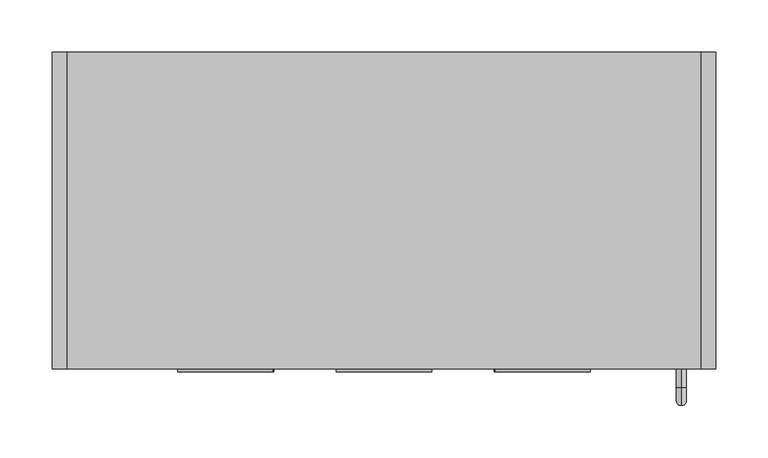
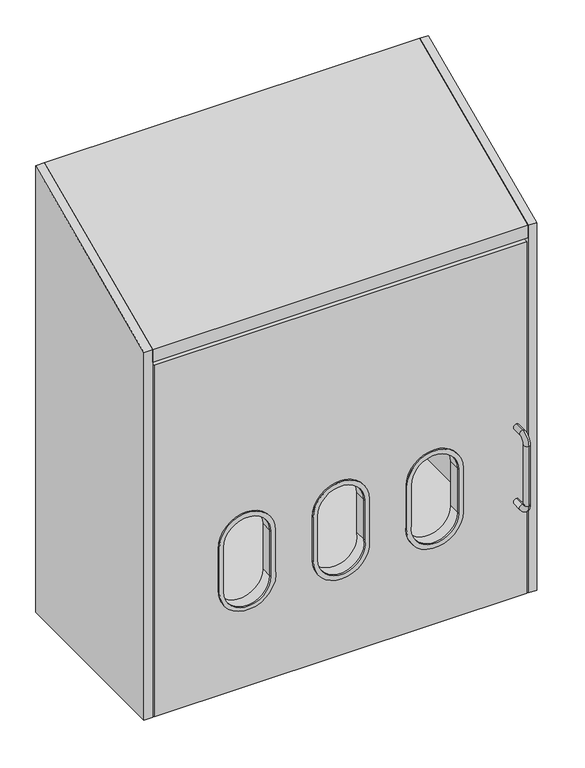
"""IFC4 building model written with IfcOpenShell, lengths in millimetres: furniture geometry."""

from ifc_helpers import new_model, si_unit, point, frame, frame_2d, origin, place, context, project, spatial, polyline, circle_curve, ellipse_curve, trimmed, segment, composite_curve, outline, extrude, source, transform, mapped, element, save
from ifc_brep_helpers import plane_surface, cylinder_surface, revolved_surface, advanced_brep


def furniture_85c649bb(model_context):
    return source(origin(), model_context, "Body", "SolidModel", [
        advanced_brep(
        [(586.9672031, -15.7352068, 1894.2057328), (586.9672031, -8.4982509, 1894.2057328), (581.2499136, -8.4982509, 1894.2057328), (581.2499136, -23.4902086, 1894.2057328), (589.9428423, -23.4902086, 1894.2057328), (589.9428423, -21.5752277, 1894.2057328), (586.960055, -8.2962203, 1880.2057152), (581.2570616, -8.2962203, 1880.2057152), (581.2499136, -23.4902086, 1880.2057152), (581.2499136, -15.5720146, 1880.2057152), (586.9672031, -15.5720146, 1880.2057152), (586.9672031, -15.7352068, 1880.2057152), (589.9428423, -21.5752277, 1880.2057152), (589.9428423, -23.4902086, 1880.2057152), (581.2499136, -8.4982509, 1881.3523567), (581.2499136, -9.5295752, 1887.205724), (581.2499136, -14.3245254, 1887.205724), (586.9672031, -8.4982509, 1881.3523567), (586.9672031, -14.3245254, 1887.205724), (586.9672031, -9.5295752, 1887.205724)],
        [
            (0, 1),
            (1, 2, circle_curve(frame((584.1085583, -8.4982509, 1894.2057328), z_axis=(0.0, 0.0, 1.0), x_axis=(-1.0, 0.0, 0.0)), 2.8586447)),
            (2, 3),
            (3, 4),
            (4, 5),
            (5, 0),
            (6, 7),
            (7, 6, circle_curve(frame((584.1085583, -8.4982509, 1880.2057152), z_axis=(0.0, 0.0, -1.0), x_axis=(-1.0, 0.0, 0.0)), 2.8586447)),
            (8, 9),
            (9, 10),
            (10, 11),
            (11, 12),
            (12, 13),
            (13, 8),
            (5, 12),
            (11, 0),
            (2, 14),
            (14, 15),
            (15, 16),
            (16, 9),
            (8, 3),
            (1, 17),
            (17, 6, ellipse_curve(frame((584.1085583, -8.4982509, 1881.3523567), z_axis=(0.0, 0.9848302513804711, 0.17352053470952136), x_axis=(0.0, -0.17352053470952136, 0.984830251380471)), 16.4743886, 2.8586447)),
            (7, 14, ellipse_curve(frame((584.1085583, -8.4982509, 1881.3523567), z_axis=(0.0, 0.9848302513804711, 0.17352053470952136), x_axis=(0.0, -0.17352053470952136, 0.984830251380471)), 16.4743886, 2.8586447)),
            (10, 18),
            (18, 19),
            (19, 17),
            (4, 13),
            (18, 16),
            (15, 19),
        ],
        [
            plane_surface(frame((589.8500427, -21.3930983, 1894.2057328), z_axis=(0.0, 0.0, 1.0), x_axis=(0.45399049973954764, -0.8910065241883675, 0.0))),
            plane_surface(frame((589.8500427, -21.3930983, 1880.2057152), z_axis=(0.0, 0.0, -1.0), x_axis=(-0.45399049973954764, 0.8910065241883675, 0.0))),
            plane_surface(frame((586.9672031, -15.7352068, 1894.2057328), z_axis=(0.8910065241883675, 0.45399049973954764, 0.0), x_axis=(0.0, 0.0, -1.0))),
            plane_surface(frame((581.2499136, -23.4902086, 1894.2057328), z_axis=(-1.0, 0.0, 0.0), x_axis=(0.0, 0.0, -1.0))),
            cylinder_surface(frame((584.1085583, -8.4982509, 1880.2057152), z_axis=(0.0, 0.0, 1.0), x_axis=(-1.0, 0.0, 0.0)), 2.8586447),
            plane_surface(frame((586.9672031, -8.4982509, 1894.2057328), z_axis=(1.0, 0.0, 0.0), x_axis=(0.0, 0.0, -1.0))),
            plane_surface(frame((589.9428423, -21.5752277, 1894.2057328), z_axis=(1.0, 0.0, 0.0), x_axis=(0.0, 0.0, -1.0))),
            plane_surface(frame((589.9428423, -23.4902086, 1894.2057328), z_axis=(0.0, -1.0, 0.0), x_axis=(0.0, 0.0, -1.0))),
            plane_surface(frame((528.1727603, -9.5295752, 1887.205724), z_axis=(0.0, 0.0, -1.0), x_axis=(1.0, 0.0, 0.0))),
            plane_surface(frame((528.1727603, -14.3245254, 1887.205724), z_axis=(0.0, 0.9844886613913678, -0.1754482134187542), x_axis=(1.0, 0.0, 0.0))),
            plane_surface(frame((528.1727603, -8.2962203, 1880.2057152), z_axis=(0.0, -0.9848302513804711, -0.17352053470952136), x_axis=(1.0, 0.0, 0.0))),
        ],
        [
            (0, [[1, 2, 3, 4, 5, 6]]),
            (1, [[7, 8]]),
            (1, [[9, 10, 11, 12, 13, 14]]),
            (2, [[15, -12, 16, -6]]),
            (3, [[17, 18, 19, 20, -9, 21, -3]]),
            (4, [[22, 23, -8, 24, -17, -2]]),
            (5, [[-16, -11, 25, 26, 27, -22, -1]]),
            (6, [[28, -13, -15, -5]]),
            (7, [[-21, -14, -28, -4]]),
            (8, [[-26, 29, -19, 30]]),
            (9, [[-25, -10, -20, -29]]),
            (10, [[-18, -24, -7, -23, -27, -30]]),
        ],
    ),
        extrude(outline(composite_curve([segment(trimmed(circle_curve(frame_2d((1910.0056404, 586.7999564)), 1.499963), [point((1910.0056404, 588.2999193))], [point((1908.5056775, 586.7999564))], True, "CARTESIAN"), True, "CONTINUOUS"), segment(trimmed(circle_curve(frame_2d((1906.025101, 586.7999564)), 2.4805765), [point((1908.5056775, 586.7999564))], [point((1906.9543413, 584.5000059))], False, "CARTESIAN"), True, "CONTINUOUS"), segment(polyline([(1906.9543413, 584.5000059), (1874.5687702, 584.5000059)]), True, "CONTINUOUS"), segment(trimmed(circle_curve(frame_2d((1874.5687702, 586.1153186)), 1.6153127), [point((1874.5687702, 584.5000059))], [point((1873.1057489, 586.8000109))], False, "CARTESIAN"), True, "CONTINUOUS"), segment(trimmed(circle_curve(frame_2d((1871.6057314, 586.7999019)), 1.5000175), [point((1873.1057489, 586.8000109))], [point((1871.6057314, 588.2999193))], True, "CARTESIAN"), True, "CONTINUOUS"), segment(polyline([(1871.6057314, 588.2999193), (1843.2056844, 588.2999193), (1843.2056844, 590.4000818), (1873.7057486, 590.4000818)]), True, "CONTINUOUS"), segment(trimmed(circle_curve(frame_2d((1873.7057486, 588.7609414)), 1.6391404), [point((1873.7057486, 590.4000818))], [point((1875.2057297, 588.1000042))], False, "CARTESIAN"), True, "CONTINUOUS"), segment(trimmed(circle_curve(frame_2d((1876.2469548, 587.6412088)), 1.1378237), [point((1875.2057297, 588.1000042))], [point((1876.7056745, 586.5999504))], True, "CARTESIAN"), True, "CONTINUOUS"), segment(polyline([(1876.7056745, 586.5999504), (1904.9056974, 586.5999504)]), True, "CONTINUOUS"), segment(trimmed(circle_curve(frame_2d((1904.9056974, 587.9471498)), 1.3471994), [point((1904.9056974, 586.5999504))], [point((1906.2058897, 588.2999193))], True, "CARTESIAN"), True, "CONTINUOUS"), segment(trimmed(circle_curve(frame_2d((1907.8140876, 588.7362572)), 1.6663407), [point((1906.2058897, 588.2999193))], [point((1907.9056233, 590.4000818))], False, "CARTESIAN"), True, "CONTINUOUS"), segment(polyline([(1907.9056233, 590.4000818), (1923.4056946, 590.4000818), (1923.4056946, 588.2999193), (1910.0056404, 588.2999193)]), True, "CONTINUOUS")], self_intersect=False)), frame((0.0, -23.4902086, 0.0), z_axis=(0.0, 1.0, 0.0), x_axis=(0.0, 0.0, 1.0)), (0.0, 0.0, 1.0), 3.1878868),
        extrude(outline(composite_curve([segment(polyline([(1926.45351, 590.4000818), (1937.6534441, 590.4000818), (1937.6534441, 580.6997675)]), True, "CONTINUOUS"), segment(trimmed(circle_curve(frame_2d((1922.65374, 580.6997675)), 14.9997042), [point((1937.6534441, 580.6997675))], [point((1922.65374, 565.7000633))], False, "CARTESIAN"), True, "CONTINUOUS"), segment(polyline([(1922.65374, 565.7000633), (1843.9495344, 565.7000633)]), True, "CONTINUOUS"), segment(trimmed(circle_curve(frame_2d((1843.9495344, 580.7000198)), 14.9999565), [point((1843.9495344, 565.7000633))], [point((1828.9495778, 580.7000198))], False, "CARTESIAN"), True, "CONTINUOUS"), segment(polyline([(1828.9495778, 580.7000198), (1828.9495778, 590.4000818), (1839.7855661, 590.4000818)]), True, "CONTINUOUS"), segment(trimmed(circle_curve(frame_2d((1851.6494641, 589.3856737)), 11.9071868), [point((1839.7855661, 590.4000818))], [point((1851.6494641, 577.4784868))], True, "CARTESIAN"), True, "CONTINUOUS"), segment(polyline([(1851.6494641, 577.4784868), (1914.9535942, 577.4784868)]), True, "CONTINUOUS"), segment(trimmed(circle_curve(frame_2d((1914.9535942, 589.0566117)), 11.5781249), [point((1914.9535942, 577.4784868))], [point((1926.45351, 590.4000818))], True, "CARTESIAN"), True, "CONTINUOUS")], self_intersect=False)), frame((0.0, -23.4902086, 0.0), z_axis=(0.0, 1.0, 0.0), x_axis=(0.0, 0.0, 1.0)), (0.0, 0.0, 1.0), 2.0971104),
        extrude(outline(composite_curve([segment(polyline([(1839.7855661, 590.4000818), (1926.45351, 590.4000818)]), True, "CONTINUOUS"), segment(trimmed(circle_curve(frame_2d((1914.9535942, 589.0566117)), 11.5781249), [point((1926.45351, 590.4000818))], [point((1914.9535942, 577.4784868))], False, "CARTESIAN"), True, "CONTINUOUS"), segment(polyline([(1914.9535942, 577.4784868), (1851.6494641, 577.4784868)]), True, "CONTINUOUS"), segment(trimmed(circle_curve(frame_2d((1851.6494641, 589.3856737)), 11.9071868), [point((1851.6494641, 577.4784868))], [point((1839.7855661, 590.4000818))], False, "CARTESIAN"), True, "CONTINUOUS")], self_intersect=False)), frame((0.0, -85.5646173, 0.0), z_axis=(0.0, 1.0, 0.0), x_axis=(0.0, 0.0, 1.0)), (0.0, 0.0, 1.0), 62.0744087),
        extrude(outline(composite_curve([segment(polyline([(-9.5501446, 1916.4156045), (-3.0000493, 1916.4156045), (-3.0000493, 1914.9108514), (-0.7048181, 1914.9108514)]), True, "CONTINUOUS"), segment(trimmed(circle_curve(frame_2d((-0.7048181, 1914.206075)), 0.7047764), [point((-0.7048181, 1914.9108514))], [point((-4.17e-05, 1914.206075))], False, "CARTESIAN"), True, "CONTINUOUS"), segment(polyline([(-4.17e-05, 1914.206075), (-3.98e-05, 1872.21588), (-2.000049, 1872.21588)]), True, "CONTINUOUS"), segment(trimmed(circle_curve(frame_2d((-1.7912711, 1871.0071073)), 1.2266701), [point((-2.000049, 1872.21588))], [point((-3.0000508, 1871.2158441))], True, "CARTESIAN"), True, "CONTINUOUS"), segment(trimmed(circle_curve(frame_2d((1.2161345, 1870.4877768)), 4.2785863), [point((-3.0000508, 1871.2158441))], [point((-0.9918619, 1866.8229367))], True, "CARTESIAN"), True, "CONTINUOUS"), segment(trimmed(circle_curve(frame_2d((-2.0494915, 1865.0674795)), 2.0494415), [point((-0.9918619, 1866.8229367))], [point((-5e-05, 1865.0674795))], False, "CARTESIAN"), True, "CONTINUOUS"), segment(polyline([(-5e-05, 1865.0674795), (-5e-05, 1850.1660146), (-3.0000486, 1850.1660146), (-3.0000486, 1848.6658639), (-9.3214678, 1848.6658639)]), True, "CONTINUOUS"), segment(trimmed(circle_curve(frame_2d((-9.3214678, 1849.5944442)), 0.9285803), [point((-9.3214678, 1848.6658639))], [point((-10.2500481, 1849.5944442))], False, "CARTESIAN"), True, "CONTINUOUS"), segment(polyline([(-10.2500481, 1849.5944442), (-10.2500481, 1853.0158407), (-8.2500502, 1855.0158639), (-4.750053, 1855.0158639)]), True, "CONTINUOUS"), segment(trimmed(circle_curve(frame_2d((-4.750053, 1855.7658688)), 0.7500049), [point((-4.750053, 1855.0158639))], [point((-4.0000481, 1855.765869))], True, "CARTESIAN"), True, "CONTINUOUS"), segment(polyline([(-4.0000481, 1855.765869), (-4.0000488, 1857.7661319)]), True, "CONTINUOUS"), segment(trimmed(circle_curve(frame_2d((-4.7497612, 1857.7661318)), 0.7497123), [point((-4.0000488, 1857.7661319))], [point((-4.7497612, 1858.5158441))], True, "CARTESIAN"), True, "CONTINUOUS"), segment(polyline([(-4.7497612, 1858.5158441), (-8.0000496, 1858.5158441), (-8.0000496, 1860.5157705), (-4.7500515, 1860.5157705)]), True, "CONTINUOUS"), segment(trimmed(circle_curve(frame_2d((-6.3395379, 1862.7505805)), 2.7424154), [point((-4.7500515, 1860.5157705))], [point((-4.0000513, 1864.1815399))], True, "CARTESIAN"), True, "CONTINUOUS"), segment(trimmed(circle_curve(frame_2d((-20.3670715, 1854.1705646)), 19.1859058), [point((-4.0000513, 1864.1815399))], [point((-6.6449221, 1867.5795762))], True, "CARTESIAN"), True, "CONTINUOUS"), segment(trimmed(circle_curve(frame_2d((7.5122438, 1881.4136772)), 19.7941328), [point((-6.6449221, 1867.5795762))], [point((-7.864877, 1868.9496549))], False, "CARTESIAN"), True, "CONTINUOUS"), segment(polyline([(-7.864877, 1868.9496549), (-11.0905827, 1872.9292744)]), True, "CONTINUOUS"), segment(trimmed(circle_curve(frame_2d((-8.7599469, 1874.818386)), 3.000101), [point((-11.0905827, 1872.9292744))], [point((-11.7600479, 1874.818386))], False, "CARTESIAN"), True, "CONTINUOUS"), segment(polyline([(-11.7600479, 1874.818386), (-11.7600479, 1881.4625229)]), True, "CONTINUOUS"), segment(trimmed(circle_curve(frame_2d((-10.5537986, 1881.4625229)), 1.2062492), [point((-11.7600479, 1881.4625229))], [point((-9.3475494, 1881.4625229))], False, "CARTESIAN"), True, "CONTINUOUS"), segment(polyline([(-9.3475494, 1881.4625229), (-9.3475494, 1879.0798505)]), True, "CONTINUOUS"), segment(trimmed(circle_curve(frame_2d((-5.6738416, 1879.1044736)), 3.6737903), [point((-9.3475494, 1879.0798505))], [point((-2.0000514, 1879.1044736))], True, "CARTESIAN"), True, "CONTINUOUS"), segment(polyline([(-2.0000514, 1879.1044736), (-2.0000514, 1894.4038675)]), True, "CONTINUOUS"), segment(trimmed(circle_curve(frame_2d((-4.2278457, 1894.4038675)), 2.2277943), [point((-2.0000514, 1894.4038675))], [point((-2.5549945, 1895.8751378))], True, "CARTESIAN"), True, "CONTINUOUS"), segment(trimmed(circle_curve(frame_2d((-4.2278451, 1894.4038666)), 2.2277945), [point((-2.5549945, 1895.8751378))], [point((-3.2940588, 1896.4265162))], True, "CARTESIAN"), True, "CONTINUOUS"), segment(trimmed(circle_curve(frame_2d((-2.7842404, 1897.5308202)), 1.2163068), [point((-3.2940588, 1896.4265162))], [point((-4.0000431, 1897.5658341))], False, "CARTESIAN"), True, "CONTINUOUS"), segment(polyline([(-4.0000431, 1897.5658341), (-4.0000428, 1909.06615)]), True, "CONTINUOUS"), segment(trimmed(circle_curve(frame_2d((-4.9997396, 1909.06615)), 0.9996968), [point((-4.0000428, 1909.06615))], [point((-4.9997396, 1910.0658468))], True, "CARTESIAN"), True, "CONTINUOUS"), segment(polyline([(-4.9997396, 1910.0658468), (-8.2500476, 1910.0658468), (-10.2500485, 1912.06587), (-10.2500489, 1915.6658441), (-9.5501446, 1916.4156045)]), True, "CONTINUOUS")], self_intersect=False)), frame((19.304, 0.0, 0.0), z_axis=(1.0, 0.0, 0.0), x_axis=(0.0, 1.0, 0.0)), (0.0, 0.0, 1.0), 570.992),
        extrude(outline(polyline([(-304.8, 1422.4), (-304.8, 2053.1099452), (0.0, 2189.2531194), (0.0, 1422.4), (-304.8, 1422.4)])), frame((609.6, 0.0, 0.0), z_axis=(1.0, 0.0, 0.0), x_axis=(0.0, 1.0, 0.0)), (0.0, 0.0, 1.0), 13.97),
        extrude(outline(polyline([(-304.8, 1422.4), (-304.8, 2053.1099452), (0.0, 2189.2531194), (0.0, 1422.4), (-304.8, 1422.4)])), frame((-13.97, 0.0, 0.0), z_axis=(1.0, 0.0, 0.0), x_axis=(0.0, 1.0, 0.0)), (0.0, 0.0, 1.0), 13.97),
        extrude(outline(polyline([(-304.6500092, 2032.0), (-304.6500092, 2053.1769407), (0.0, 2189.2665185), (0.0, 2169.6484062), (-285.1864694, 2032.0), (-304.6500092, 2032.0)])), frame((0.0, 0.0, 0.0), z_axis=(1.0, 0.0, 0.0), x_axis=(0.0, 1.0, 0.0)), (0.0, 0.0, 1.0), 609.6),
        advanced_brep(
        [(22.6327969, -15.7352068, 1894.2057328), (19.6571577, -21.5752277, 1894.2057328), (19.6571577, -23.4902086, 1894.2057328), (28.3500864, -23.4902086, 1894.2057328), (28.3500864, -8.4982509, 1894.2057328), (22.6327969, -8.4982509, 1894.2057328), (28.3500864, -23.4902086, 1880.2057152), (19.6571577, -23.4902086, 1880.2057152), (19.6571577, -21.5752277, 1880.2057152), (22.6327969, -15.7352068, 1880.2057152), (22.6327969, -15.5720146, 1880.2057152), (28.3500864, -15.5720146, 1880.2057152), (22.639945, -8.2962203, 1880.2057152), (28.3429384, -8.2962203, 1880.2057152), (28.3500864, -14.3245254, 1887.205724), (28.3500864, -9.5295752, 1887.205724), (28.3500864, -8.4982509, 1881.3523567), (22.6327969, -8.4982509, 1881.3523567), (22.6327969, -9.5295752, 1887.205724), (22.6327969, -14.3245254, 1887.205724)],
        [
            (0, 1),
            (1, 2),
            (2, 3),
            (3, 4),
            (4, 5, circle_curve(frame((25.4914417, -8.4982509, 1894.2057328), z_axis=(0.0, 0.0, 1.0), x_axis=(1.0, 0.0, 0.0)), 2.8586447)),
            (5, 0),
            (6, 7),
            (7, 8),
            (8, 9),
            (9, 10),
            (10, 11),
            (11, 6),
            (12, 13, circle_curve(frame((25.4914417, -8.4982509, 1880.2057152), z_axis=(0.0, 0.0, -1.0), x_axis=(1.0, 0.0, 0.0)), 2.8586447)),
            (13, 12),
            (0, 9),
            (8, 1),
            (3, 6),
            (11, 14),
            (14, 15),
            (15, 16),
            (16, 4),
            (16, 13, ellipse_curve(frame((25.4914417, -8.4982509, 1881.3523567), z_axis=(0.0, 0.9848302513804711, 0.17352053470952136), x_axis=(0.0, -0.17352053470952136, 0.984830251380471)), 16.4743886, 2.8586447)),
            (12, 17, ellipse_curve(frame((25.4914417, -8.4982509, 1881.3523567), z_axis=(0.0, 0.9848302513804711, 0.17352053470952136), x_axis=(0.0, -0.17352053470952136, 0.984830251380471)), 16.4743886, 2.8586447)),
            (17, 5),
            (17, 18),
            (18, 19),
            (19, 10),
            (7, 2),
            (18, 15),
            (14, 19),
        ],
        [
            plane_surface(frame((19.7499573, -21.3930983, 1894.2057328), z_axis=(0.0, 0.0, 1.0), x_axis=(-0.45399049973954764, -0.8910065241883675, 0.0))),
            plane_surface(frame((19.7499573, -21.3930983, 1880.2057152), z_axis=(0.0, 0.0, -1.0), x_axis=(0.45399049973954764, 0.8910065241883675, 0.0))),
            plane_surface(frame((22.6327969, -15.7352068, 1894.2057328), z_axis=(-0.8910065241883675, 0.45399049973954764, 0.0), x_axis=(0.0, 0.0, -1.0))),
            plane_surface(frame((28.3500864, -23.4902086, 1894.2057328), z_axis=(1.0, 0.0, 0.0), x_axis=(0.0, 0.0, -1.0))),
            cylinder_surface(frame((25.4914417, -8.4982509, 1880.2057152), z_axis=(0.0, 0.0, 1.0), x_axis=(1.0, 0.0, 0.0)), 2.8586447),
            plane_surface(frame((22.6327969, -8.4982509, 1894.2057328), z_axis=(-1.0, 0.0, 0.0), x_axis=(0.0, 0.0, -1.0))),
            plane_surface(frame((19.6571577, -21.5752277, 1894.2057328), z_axis=(-1.0, 0.0, 0.0), x_axis=(0.0, 0.0, -1.0))),
            plane_surface(frame((19.6571577, -23.4902086, 1894.2057328), z_axis=(0.0, -1.0, 0.0), x_axis=(0.0, 0.0, -1.0))),
            plane_surface(frame((81.4272397, -9.5295752, 1887.205724), z_axis=(0.0, 0.0, -1.0), x_axis=(-1.0, 0.0, 0.0))),
            plane_surface(frame((81.4272397, -14.3245254, 1887.205724), z_axis=(0.0, 0.9844886613913678, -0.1754482134187542), x_axis=(-1.0, 0.0, 0.0))),
            plane_surface(frame((81.4272397, -8.2962203, 1880.2057152), z_axis=(0.0, -0.9848302513804711, -0.17352053470952136), x_axis=(-1.0, 0.0, 0.0))),
        ],
        [
            (0, [[1, 2, 3, 4, 5, 6]]),
            (1, [[7, 8, 9, 10, 11, 12]]),
            (1, [[13, 14]]),
            (2, [[-1, 15, -9, 16]]),
            (3, [[-4, 17, -12, 18, 19, 20, 21]]),
            (4, [[-5, -21, 22, -13, 23, 24]]),
            (5, [[-6, -24, 25, 26, 27, -10, -15]]),
            (6, [[-2, -16, -8, 28]]),
            (7, [[-3, -28, -7, -17]]),
            (8, [[29, -19, 30, -26]]),
            (9, [[-30, -18, -11, -27]]),
            (10, [[-29, -25, -23, -14, -22, -20]]),
        ],
    ),
        extrude(outline(composite_curve([segment(polyline([(1910.0056404, 21.3000807), (1923.4056946, 21.3000807), (1923.4056946, 19.1999182), (1907.9056233, 19.1999182)]), True, "CONTINUOUS"), segment(trimmed(circle_curve(frame_2d((1907.8140876, 20.8637428)), 1.6663407), [point((1907.9056233, 19.1999182))], [point((1906.2058897, 21.3000807))], False, "CARTESIAN"), True, "CONTINUOUS"), segment(trimmed(circle_curve(frame_2d((1904.9056974, 21.6528502)), 1.3471994), [point((1906.2058897, 21.3000807))], [point((1904.9056974, 23.0000496))], True, "CARTESIAN"), True, "CONTINUOUS"), segment(polyline([(1904.9056974, 23.0000496), (1876.7056745, 23.0000496)]), True, "CONTINUOUS"), segment(trimmed(circle_curve(frame_2d((1876.2469548, 21.9587912)), 1.1378237), [point((1876.7056745, 23.0000496))], [point((1875.2057297, 21.4999958))], True, "CARTESIAN"), True, "CONTINUOUS"), segment(trimmed(circle_curve(frame_2d((1873.7057486, 20.8390586)), 1.6391404), [point((1875.2057297, 21.4999958))], [point((1873.7057486, 19.1999182))], False, "CARTESIAN"), True, "CONTINUOUS"), segment(polyline([(1873.7057486, 19.1999182), (1843.2056844, 19.1999182), (1843.2056844, 21.3000807), (1871.6057314, 21.3000807)]), True, "CONTINUOUS"), segment(trimmed(circle_curve(frame_2d((1871.6057314, 22.8000981)), 1.5000175), [point((1871.6057314, 21.3000807))], [point((1873.1057489, 22.7999891))], True, "CARTESIAN"), True, "CONTINUOUS"), segment(trimmed(circle_curve(frame_2d((1874.5687702, 23.4846814)), 1.6153127), [point((1873.1057489, 22.7999891))], [point((1874.5687702, 25.0999941))], False, "CARTESIAN"), True, "CONTINUOUS"), segment(polyline([(1874.5687702, 25.0999941), (1906.9543413, 25.0999941)]), True, "CONTINUOUS"), segment(trimmed(circle_curve(frame_2d((1906.025101, 22.8000436)), 2.4805765), [point((1906.9543413, 25.0999941))], [point((1908.5056775, 22.8000436))], False, "CARTESIAN"), True, "CONTINUOUS"), segment(trimmed(circle_curve(frame_2d((1910.0056404, 22.8000436)), 1.499963), [point((1908.5056775, 22.8000436))], [point((1910.0056404, 21.3000807))], True, "CARTESIAN"), True, "CONTINUOUS")], self_intersect=False)), frame((0.0, -23.4902086, 0.0), z_axis=(0.0, 1.0, 0.0), x_axis=(0.0, 0.0, 1.0)), (0.0, 0.0, 1.0), 3.1878868),
        extrude(outline(composite_curve([segment(trimmed(circle_curve(frame_2d((1914.9535942, 20.5433883)), 11.5781249), [point((1926.45351, 19.1999182))], [point((1914.9535942, 32.1215132))], True, "CARTESIAN"), True, "CONTINUOUS"), segment(polyline([(1914.9535942, 32.1215132), (1851.6494641, 32.1215132)]), True, "CONTINUOUS"), segment(trimmed(circle_curve(frame_2d((1851.6494641, 20.2143263)), 11.9071868), [point((1851.6494641, 32.1215132))], [point((1839.7855661, 19.1999182))], True, "CARTESIAN"), True, "CONTINUOUS"), segment(polyline([(1839.7855661, 19.1999182), (1828.9495778, 19.1999182), (1828.9495778, 28.8999802)]), True, "CONTINUOUS"), segment(trimmed(circle_curve(frame_2d((1843.9495344, 28.8999802)), 14.9999565), [point((1828.9495778, 28.8999802))], [point((1843.9495344, 43.8999367))], False, "CARTESIAN"), True, "CONTINUOUS"), segment(polyline([(1843.9495344, 43.8999367), (1922.65374, 43.8999367)]), True, "CONTINUOUS"), segment(trimmed(circle_curve(frame_2d((1922.65374, 28.9002325)), 14.9997042), [point((1922.65374, 43.8999367))], [point((1937.6534441, 28.9002325))], False, "CARTESIAN"), True, "CONTINUOUS"), segment(polyline([(1937.6534441, 28.9002325), (1937.6534441, 19.1999182), (1926.45351, 19.1999182)]), True, "CONTINUOUS")], self_intersect=False)), frame((0.0, -23.4902086, 0.0), z_axis=(0.0, 1.0, 0.0), x_axis=(0.0, 0.0, 1.0)), (0.0, 0.0, 1.0), 2.0971104),
        extrude(outline(composite_curve([segment(trimmed(circle_curve(frame_2d((1851.6494641, 20.2143263)), 11.9071868), [point((1839.7855661, 19.1999182))], [point((1851.6494641, 32.1215132))], False, "CARTESIAN"), True, "CONTINUOUS"), segment(polyline([(1851.6494641, 32.1215132), (1914.9535942, 32.1215132)]), True, "CONTINUOUS"), segment(trimmed(circle_curve(frame_2d((1914.9535942, 20.5433883)), 11.5781249), [point((1914.9535942, 32.1215132))], [point((1926.45351, 19.1999182))], False, "CARTESIAN"), True, "CONTINUOUS"), segment(polyline([(1926.45351, 19.1999182), (1839.7855661, 19.1999182)]), True, "CONTINUOUS")], self_intersect=False)), frame((0.0, -85.5646173, 0.0), z_axis=(0.0, 1.0, 0.0), x_axis=(0.0, 0.0, 1.0)), (0.0, 0.0, 1.0), 62.0744087),
        extrude(outline(composite_curve([segment(polyline([(1608.353454, 198.12), (1675.8000886, 198.12)]), True, "CONTINUOUS"), segment(trimmed(circle_curve(frame_2d((1675.8000886, 152.4)), 45.72), [point((1675.8000886, 198.12))], [point((1675.8000886, 106.68))], False, "CARTESIAN"), True, "CONTINUOUS"), segment(polyline([(1675.8000886, 106.68), (1600.8001122, 106.68)]), True, "CONTINUOUS"), segment(trimmed(circle_curve(frame_2d((1600.8001122, 152.7119694)), 46.0319694), [point((1600.8001122, 106.68))], [point((1608.353454, 198.12))], False, "CARTESIAN"), True, "CONTINUOUS")], self_intersect=False), holes=[composite_curve([segment(polyline([(1598.8657289, 114.3), (1675.8000886, 114.3)]), True, "CONTINUOUS"), segment(trimmed(circle_curve(frame_2d((1675.8000886, 152.4)), 38.1), [point((1675.8000886, 114.3))], [point((1675.8000886, 190.5))], True, "CARTESIAN"), True, "CONTINUOUS"), segment(polyline([(1675.8000886, 190.5), (1598.8657289, 190.5)]), True, "CONTINUOUS"), segment(trimmed(circle_curve(frame_2d((1598.8657289, 152.4)), 38.1), [point((1598.8657289, 190.5))], [point((1598.8657289, 114.3))], True, "CARTESIAN"), True, "CONTINUOUS")], self_intersect=False)]), frame((0.0, -307.34, 0.0), z_axis=(0.0, 1.0, 0.0), x_axis=(0.0, 0.0, 1.0)), (0.0, 0.0, 1.0), 2.54),
        extrude(outline(composite_curve([segment(trimmed(circle_curve(frame_2d((1600.8001122, 305.1119694)), 46.0319694), [point((1600.8001122, 259.08))], [point((1593.2467704, 350.52))], False, "CARTESIAN"), True, "CONTINUOUS"), segment(polyline([(1593.2467704, 350.52), (1675.8000886, 350.52)]), True, "CONTINUOUS"), segment(trimmed(circle_curve(frame_2d((1675.8000886, 304.8)), 45.72), [point((1675.8000886, 350.52))], [point((1675.8000886, 259.08))], False, "CARTESIAN"), True, "CONTINUOUS"), segment(polyline([(1675.8000886, 259.08), (1600.8001122, 259.08)]), True, "CONTINUOUS")], self_intersect=False), holes=[composite_curve([segment(polyline([(1600.8001122, 266.7), (1675.8000886, 266.7)]), True, "CONTINUOUS"), segment(trimmed(circle_curve(frame_2d((1675.8000886, 304.8)), 38.1), [point((1675.8000886, 266.7))], [point((1675.8000886, 342.9))], True, "CARTESIAN"), True, "CONTINUOUS"), segment(polyline([(1675.8000886, 342.9), (1607.6953383, 342.9)]), True, "CONTINUOUS"), segment(trimmed(circle_curve(frame_2d((1600.8001122, 305.1119694)), 38.4119694), [point((1607.6953383, 342.9))], [point((1600.8001122, 266.7))], True, "CARTESIAN"), True, "CONTINUOUS")], self_intersect=False)]), frame((0.0, -307.34, 0.0), z_axis=(0.0, 1.0, 0.0), x_axis=(0.0, 0.0, 1.0)), (0.0, 0.0, 1.0), 2.54),
        extrude(outline(composite_curve([segment(trimmed(circle_curve(frame_2d((1675.8000886, 457.2)), 45.72), [point((1675.8000886, 502.92))], [point((1675.8000886, 411.48))], False, "CARTESIAN"), True, "CONTINUOUS"), segment(polyline([(1675.8000886, 411.48), (1608.353454, 411.48)]), True, "CONTINUOUS"), segment(trimmed(circle_curve(frame_2d((1600.8001122, 456.8880306)), 46.0319694), [point((1608.353454, 411.48))], [point((1600.8001122, 502.92))], False, "CARTESIAN"), True, "CONTINUOUS"), segment(polyline([(1600.8001122, 502.92), (1675.8000886, 502.92)]), True, "CONTINUOUS")], self_intersect=False), holes=[composite_curve([segment(trimmed(circle_curve(frame_2d((1600.8001122, 456.8880306)), 38.4119694), [point((1600.8001122, 495.3))], [point((1607.6953383, 419.1))], True, "CARTESIAN"), True, "CONTINUOUS"), segment(polyline([(1607.6953383, 419.1), (1675.8000886, 419.1)]), True, "CONTINUOUS"), segment(trimmed(circle_curve(frame_2d((1675.8000886, 457.2)), 38.1), [point((1675.8000886, 419.1))], [point((1675.8000886, 495.3))], True, "CARTESIAN"), True, "CONTINUOUS"), segment(polyline([(1675.8000886, 495.3), (1600.8001122, 495.3)]), True, "CONTINUOUS")], self_intersect=False)]), frame((0.0, -307.34, 0.0), z_axis=(0.0, 1.0, 0.0), x_axis=(0.0, 0.0, 1.0)), (0.0, 0.0, 1.0), 2.54),
        extrude(outline(polyline([(2025.6501696, 607.0998619), (2025.6501696, 2.4999928), (1422.4, 2.4999928), (1422.4, 607.0998619), (2025.6501696, 607.0998619)]), holes=[composite_curve([segment(polyline([(1675.8000886, 190.5), (1598.8657289, 190.5)]), True, "CONTINUOUS"), segment(trimmed(circle_curve(frame_2d((1598.8657289, 152.4)), 38.1), [point((1598.8657289, 190.5))], [point((1598.8657289, 114.3))], True, "CARTESIAN"), True, "CONTINUOUS"), segment(polyline([(1598.8657289, 114.3), (1675.8000886, 114.3)]), True, "CONTINUOUS"), segment(trimmed(circle_curve(frame_2d((1675.8000886, 152.4)), 38.1), [point((1675.8000886, 114.3))], [point((1675.8000886, 190.5))], True, "CARTESIAN"), True, "CONTINUOUS")], self_intersect=False), composite_curve([segment(trimmed(circle_curve(frame_2d((1600.8001122, 305.1119694)), 38.4119694), [point((1607.6953383, 342.9))], [point((1600.8001122, 266.7))], True, "CARTESIAN"), True, "CONTINUOUS"), segment(polyline([(1600.8001122, 266.7), (1675.8000886, 266.7)]), True, "CONTINUOUS"), segment(trimmed(circle_curve(frame_2d((1675.8000886, 304.8)), 38.1), [point((1675.8000886, 266.7))], [point((1675.8000886, 342.9))], True, "CARTESIAN"), True, "CONTINUOUS"), segment(polyline([(1675.8000886, 342.9), (1607.6953383, 342.9)]), True, "CONTINUOUS")], self_intersect=False), composite_curve([segment(polyline([(1675.8000886, 495.3), (1600.8001122, 495.3)]), True, "CONTINUOUS"), segment(trimmed(circle_curve(frame_2d((1600.8001122, 456.8880306)), 38.4119694), [point((1600.8001122, 495.3))], [point((1607.6953383, 419.1))], True, "CARTESIAN"), True, "CONTINUOUS"), segment(polyline([(1607.6953383, 419.1), (1675.8000886, 419.1)]), True, "CONTINUOUS"), segment(trimmed(circle_curve(frame_2d((1675.8000886, 457.2)), 38.1), [point((1675.8000886, 419.1))], [point((1675.8000886, 495.3))], True, "CARTESIAN"), True, "CONTINUOUS")], self_intersect=False)]), frame((0.0, -304.8, 0.0), z_axis=(0.0, 1.0, 0.0), x_axis=(0.0, 0.0, 1.0)), (0.0, 0.0, 1.0), 19.1999908),
        extrude(outline(polyline([(607.0998619, -285.6000092), (19.1999182, -285.6000092), (19.1999182, -21.29979), (607.0998619, -21.29979), (607.0998619, -285.6000092)])), frame((0.0, 0.0, 1487.5000269), z_axis=(0.0, 0.0, 1.0), x_axis=(1.0, 0.0, 0.0)), (0.0, 0.0, 1.0), 19.4000271),
        advanced_brep(
        [(590.3101891, -304.8, 1709.8891262), (590.3101891, -304.8, 1719.5421103), (590.3101891, -322.2719955, 1709.8891262), (590.3101891, -322.2719955, 1719.5421103), (590.3101891, -339.7984876, 1702.0156182), (590.3101891, -330.1455035, 1702.0156182), (590.3101891, -330.1455035, 1599.3576822), (590.3101891, -339.7984876, 1599.3576822), (590.3101891, -322.2719955, 1581.8311902), (590.3101891, -322.2719955, 1591.4841743), (590.3101891, -304.8, 1591.4841743), (590.3101891, -304.8, 1581.8311902)],
        [
            (0, 1, circle_curve(frame((590.3101891, -304.8, 1714.7156182), z_axis=(0.0, 1.0, 0.0), x_axis=(0.0, 0.0, 1.0)), 4.8264921)),
            (1, 0, circle_curve(frame((590.3101891, -304.8, 1714.7156182), z_axis=(0.0, 1.0, 0.0), x_axis=(0.0, 0.0, 1.0)), 4.8264921)),
            (0, 2),
            (2, 3, circle_curve(frame((590.3101891, -322.2719955, 1714.7156182), z_axis=(0.0, 1.0, 0.0), x_axis=(0.0, 0.0, 1.0)), 4.8264921)),
            (3, 1),
            (3, 2, circle_curve(frame((590.3101891, -322.2719955, 1714.7156182), z_axis=(0.0, 1.0, 0.0), x_axis=(0.0, 0.0, 1.0)), 4.8264921)),
            (4, 3, circle_curve(frame((590.3101891, -322.2719955, 1702.0156182), z_axis=(-1.0, 0.0, 0.0), x_axis=(0.0, 0.0, 1.0)), 17.5264921)),
            (2, 5, circle_curve(frame((590.3101891, -322.2719955, 1702.0156182), z_axis=(1.0, 0.0, 0.0), x_axis=(0.0, 0.0, 1.0)), 7.8735079)),
            (5, 4, circle_curve(frame((590.3101891, -334.9719955, 1702.0156182), z_axis=(0.0, 0.0, 1.0), x_axis=(0.0, -1.0, 0.0)), 4.8264921)),
            (4, 5, circle_curve(frame((590.3101891, -334.9719955, 1702.0156182), z_axis=(0.0, 0.0, 1.0), x_axis=(0.0, -1.0, 0.0)), 4.8264921)),
            (5, 6),
            (6, 7, circle_curve(frame((590.3101891, -334.9719955, 1599.3576822), z_axis=(0.0, 0.0, 1.0), x_axis=(0.0, -1.0, 0.0)), 4.8264921)),
            (7, 4),
            (7, 6, circle_curve(frame((590.3101891, -334.9719955, 1599.3576822), z_axis=(0.0, 0.0, 1.0), x_axis=(0.0, -1.0, 0.0)), 4.8264921)),
            (8, 7, circle_curve(frame((590.3101891, -322.2719955, 1599.3576822), z_axis=(-1.0, 0.0, 0.0), x_axis=(0.0, -1.0, 0.0)), 17.5264921)),
            (6, 9, circle_curve(frame((590.3101891, -322.2719955, 1599.3576822), z_axis=(1.0, 0.0, 0.0), x_axis=(0.0, -1.0, 0.0)), 7.8735079)),
            (9, 8, circle_curve(frame((590.3101891, -322.2719955, 1586.6576822), z_axis=(0.0, -1.0, 0.0), x_axis=(0.0, 0.0, -1.0)), 4.8264921)),
            (8, 9, circle_curve(frame((590.3101891, -322.2719955, 1586.6576822), z_axis=(0.0, -1.0, 0.0), x_axis=(0.0, 0.0, -1.0)), 4.8264921)),
            (10, 11, circle_curve(frame((590.3101891, -304.8, 1586.6576822), z_axis=(0.0, 1.0, 0.0), x_axis=(0.0, 0.0, -1.0)), 4.8264921)),
            (11, 10, circle_curve(frame((590.3101891, -304.8, 1586.6576822), z_axis=(0.0, 1.0, 0.0), x_axis=(0.0, 0.0, -1.0)), 4.8264921)),
            (9, 10),
            (11, 8),
        ],
        [
            plane_surface(frame((590.4000818, -304.8, 1714.7156182), z_axis=(0.0, 1.0, 0.0), x_axis=(-1.0, 0.0, 0.0))),
            cylinder_surface(frame((590.3101891, -304.8, 1714.7156182), z_axis=(0.0, 1.0, 0.0), x_axis=(0.0, 0.0, 1.0)), 4.8264921),
            revolved_surface(trimmed(ellipse_curve(frame((590.3101891, -322.2719955, 1714.7156182), z_axis=(0.0, 1.0, 0.0), x_axis=(0.0, 0.0, 1.0)), 4.8264921, 4.8264921), [point((590.3101891, -322.2719955, 1709.8891262))], [point((590.3101891, -322.2719955, 1719.5421103))], True, "CARTESIAN"), (590.4000818, -322.2719955, 1702.0156182), (1.0, 0.0, 0.0)),
            revolved_surface(trimmed(ellipse_curve(frame((590.3101891, -322.2719955, 1714.7156182), z_axis=(0.0, 1.0, 0.0), x_axis=(0.0, 0.0, 1.0)), 4.8264921, 4.8264921), [point((590.3101891, -322.2719955, 1719.5421103))], [point((590.3101891, -322.2719955, 1709.8891262))], True, "CARTESIAN"), (590.4000818, -322.2719955, 1702.0156182), (1.0, 0.0, 0.0)),
            cylinder_surface(frame((590.3101891, -334.9719955, 1702.0156182), z_axis=(0.0, 0.0, 1.0), x_axis=(0.0, -1.0, 0.0)), 4.8264921),
            revolved_surface(trimmed(ellipse_curve(frame((590.3101891, -334.9719955, 1599.3576822), z_axis=(0.0, 0.0, 1.0), x_axis=(0.0, -1.0, 0.0)), 4.8264921, 4.8264921), [point((590.3101891, -330.1455035, 1599.3576822))], [point((590.3101891, -339.7984876, 1599.3576822))], True, "CARTESIAN"), (590.4000818, -322.2719955, 1599.3576822), (1.0, 0.0, 0.0)),
            revolved_surface(trimmed(ellipse_curve(frame((590.3101891, -334.9719955, 1599.3576822), z_axis=(0.0, 0.0, 1.0), x_axis=(0.0, -1.0, 0.0)), 4.8264921, 4.8264921), [point((590.3101891, -339.7984876, 1599.3576822))], [point((590.3101891, -330.1455035, 1599.3576822))], True, "CARTESIAN"), (590.4000818, -322.2719955, 1599.3576822), (1.0, 0.0, 0.0)),
            plane_surface(frame((590.4000818, -304.8, 1586.6576822), z_axis=(0.0, 1.0, 0.0), x_axis=(-1.0, 0.0, 0.0))),
            cylinder_surface(frame((590.3101891, -322.2719955, 1586.6576822), z_axis=(0.0, -1.0, 0.0), x_axis=(0.0, 0.0, -1.0)), 4.8264921),
        ],
        [
            (0, [[1, 2]]),
            (1, [[-1, 3, 4, 5]]),
            (1, [[-2, -5, 6, -3]]),
            (2, [[7, -4, 8, 9]]),
            (3, [[-8, -6, -7, 10]]),
            (4, [[-9, 11, 12, 13]]),
            (4, [[-10, -13, 14, -11]]),
            (5, [[15, -12, 16, 17]]),
            (6, [[-16, -14, -15, 18]]),
            (7, [[19, 20]]),
            (8, [[-17, 21, -20, 22]]),
            (8, [[-18, -22, -19, -21]]),
        ],
    ),
        extrude(outline(composite_curve([segment(polyline([(2018.0999037, 19.1999182), (1926.6355011, 19.1999182)]), True, "CONTINUOUS"), segment(trimmed(circle_curve(frame_2d((1915.1355853, 20.5433883)), 11.5781249), [point((1926.6355011, 19.1999182))], [point((1915.1355853, 32.1215132))], True, "CARTESIAN"), True, "CONTINUOUS"), segment(polyline([(1915.1355853, 32.1215132), (1851.8314551, 32.1215132)]), True, "CONTINUOUS"), segment(trimmed(circle_curve(frame_2d((1851.8314551, 20.2143263)), 11.9071868), [point((1851.8314551, 32.1215132))], [point((1839.9675696, 19.1997728))], True, "CARTESIAN"), True, "CONTINUOUS"), segment(polyline([(1839.9675696, 19.1997728), (1495.8001017, 19.1997728), (1495.8001017, 590.4000818), (1839.9675572, 590.4000818)]), True, "CONTINUOUS"), segment(trimmed(circle_curve(frame_2d((1851.8314551, 589.3856737)), 11.9071868), [point((1839.9675572, 590.4000818))], [point((1851.8314551, 577.4784868))], True, "CARTESIAN"), True, "CONTINUOUS"), segment(polyline([(1851.8314551, 577.4784868), (1915.1355853, 577.4784868)]), True, "CONTINUOUS"), segment(trimmed(circle_curve(frame_2d((1915.1355853, 589.0566117)), 11.5781249), [point((1915.1355853, 577.4784868))], [point((1926.6355011, 590.4000818))], True, "CARTESIAN"), True, "CONTINUOUS"), segment(polyline([(1926.6355011, 590.4000818), (2018.0999037, 590.4000818), (2018.0999037, 19.1999182)]), True, "CONTINUOUS")], self_intersect=False)), frame((0.0, -21.29979, 0.0), z_axis=(0.0, 1.0, 0.0), x_axis=(0.0, 0.0, 1.0)), (0.0, 0.0, 1.0), 5.5000277),
        extrude(outline(composite_curve([segment(polyline([(0.0, 1923.3700027), (-7.0799022, 1923.3700027)]), True, "CONTINUOUS"), segment(trimmed(circle_curve(frame_2d((-7.0799022, 1915.7500027)), 7.62), [point((-7.0799022, 1923.3700027))], [point((-14.6999022, 1915.7500027))], True, "CARTESIAN"), True, "CONTINUOUS"), segment(polyline([(-14.6999022, 1915.7500027), (-14.6999022, 1836.9899991)]), True, "CONTINUOUS"), segment(trimmed(circle_curve(frame_2d((-7.0799022, 1836.9899991)), 7.62), [point((-14.6999022, 1836.9899991))], [point((-7.0799022, 1829.3699991))], True, "CARTESIAN"), True, "CONTINUOUS"), segment(polyline([(-7.0799022, 1829.3699991), (0.0, 1829.3699991), (0.0, 1487.5000269), (-285.6000092, 1487.5000269), (-285.6000092, 2032.0), (0.0, 2032.0), (0.0, 1923.3700027)]), True, "CONTINUOUS")], self_intersect=False)), frame((-0.0001453, 0.0, 0.0), z_axis=(1.0, 0.0, 0.0), x_axis=(0.0, 1.0, 0.0)), (0.0, 0.0, 1.0), 19.1999182),
        extrude(outline(polyline([(590.4000818, 0.0), (590.4000818, -14.6999022), (19.1999182, -14.6999022), (19.1999182, 0.0), (590.4000818, 0.0)])), frame((0.0, 0.0, 1541.0000317), z_axis=(0.0, 0.0, 1.0), x_axis=(1.0, 0.0, 0.0)), (0.0, 0.0, 1.0), 99.0001829),
        extrude(outline(polyline([(590.4000818, 0.0), (590.4000818, -285.6000092), (19.1999182, -285.6000092), (19.1999182, 0.0), (590.4000818, 0.0)])), frame((0.0, 0.0, 2012.6000214), z_axis=(0.0, 0.0, 1.0), x_axis=(1.0, 0.0, 0.0)), (0.0, 0.0, 1.0), 19.3999786),
        extrude(outline(composite_curve([segment(polyline([(0.0, 1923.3700027), (-7.1798234, 1923.3700027)]), True, "CONTINUOUS"), segment(trimmed(circle_curve(frame_2d((-7.1798234, 1915.7500027)), 7.62), [point((-7.1798234, 1923.3700027))], [point((-14.7998234, 1915.7500027))], True, "CARTESIAN"), True, "CONTINUOUS"), segment(polyline([(-14.7998234, 1915.7500027), (-14.7998234, 1836.9899991)]), True, "CONTINUOUS"), segment(trimmed(circle_curve(frame_2d((-7.1798234, 1836.9899991)), 7.62), [point((-14.7998234, 1836.9899991))], [point((-7.1798234, 1829.3699991))], True, "CARTESIAN"), True, "CONTINUOUS"), segment(polyline([(-7.1798234, 1829.3699991), (0.0, 1829.3699991), (0.0, 1487.5000269), (-285.6000092, 1487.5000269), (-285.6000092, 2032.0), (0.0, 2032.0), (0.0, 1923.3700027)]), True, "CONTINUOUS")], self_intersect=False)), frame((590.4000818, 0.0, 0.0), z_axis=(1.0, 0.0, 0.0), x_axis=(0.0, 1.0, 0.0)), (0.0, 0.0, 1.0), 19.1999182),
    ])


if __name__ == "__main__":
    model = new_model("IFC4")
    model_context = context("Model", 3, world=origin())
    ifc_project = project(units=[si_unit("LENGTHUNIT", "METRE", prefix="MILLI")], contexts=[model_context])
    site = spatial("IfcSite", under=ifc_project)
    building = spatial("IfcBuilding", under=site)
    placement = place(None, origin())
    furniture_shape = furniture_85c649bb(model_context)
    element("IfcFurniture", 1, at=placement, inside=building, context=model_context, shape_type="MappedRepresentation", body=[
        mapped(furniture_shape, transform((0.0, 0.0, 0.0), x_axis=(1.0, 0.0, 0.0), y_axis=(0.0, 1.0, 0.0), z_axis=(0.0, 0.0, 1.0))),
    ])
    save(model, "model.ifc")
